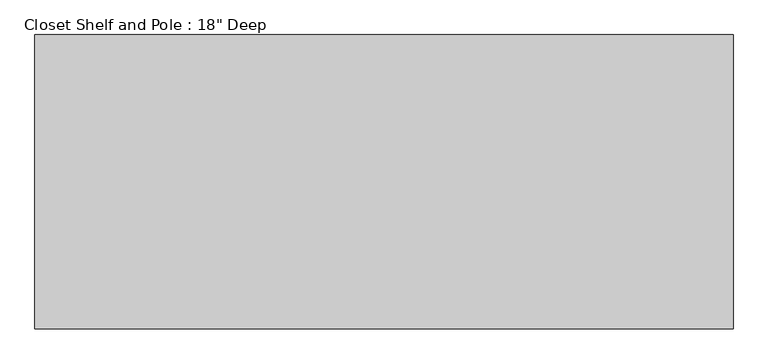
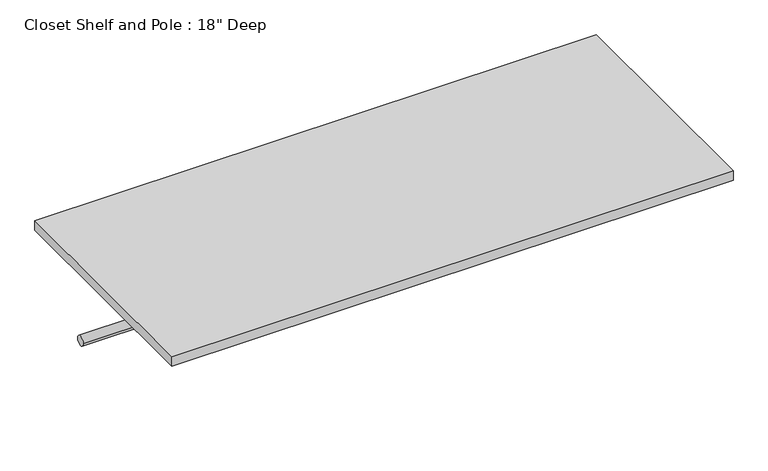
"""IFC4 building model written with IfcOpenShell, lengths in millimetres: proxy geometry."""

from ifc_helpers import new_model, si_unit, point, frame, frame_2d, origin, place, context, project, spatial, polyline, circle_curve, trimmed, segment, composite_curve, outline, extrude, source, transform, mapped, element, save


def proxy_f339d076(model_context):
    return source(origin(), model_context, "Body", "SweptSolid", [
        extrude(outline(composite_curve([segment(trimmed(circle_curve(frame_2d((304.8, 1676.4)), 9.525), [point((314.325, 1676.4))], [point((295.275, 1676.4))], False, "CARTESIAN"), True, "CONTINUOUS"), segment(trimmed(circle_curve(frame_2d((304.8, 1676.4)), 9.525), [point((295.275, 1676.4))], [point((314.325, 1676.4))], False, "CARTESIAN"), True, "CONTINUOUS")], self_intersect=False)), frame((0.0, 0.0, 0.0), z_axis=(1.0, 0.0, 0.0), x_axis=(0.0, 1.0, 0.0)), (0.0, 0.0, 1.0), 1083.7465485),
        extrude(outline(polyline([(1083.7465485, 0.0), (0.0, 0.0), (0.0, 457.2), (1083.7465485, 457.2), (1083.7465485, 0.0)])), frame((0.0, 0.0, 1809.75), z_axis=(0.0, 0.0, 1.0), x_axis=(1.0, 0.0, 0.0)), (0.0, 0.0, 1.0), 19.05),
    ])


if __name__ == "__main__":
    model = new_model("IFC4")
    model_context = context("Model", 3, world=origin())
    ifc_project = project(units=[si_unit("LENGTHUNIT", "METRE", prefix="MILLI")], contexts=[model_context])
    site = spatial("IfcSite", under=ifc_project)
    building = spatial("IfcBuilding", under=site)
    placement = place(None, origin())
    proxy_shape = proxy_f339d076(model_context)
    element("IfcBuildingElementProxy", 1, Name="Closet Shelf and Pole : 18\" Deep", ObjectType="Closet Shelf and Pole : 18\" Deep", at=placement, inside=building, context=model_context, shape_type="MappedRepresentation", body=[
        mapped(proxy_shape, transform((0.0, 0.0, 0.0), x_axis=(1.0, 0.0, 0.0), y_axis=(0.0, 1.0, 0.0), z_axis=(0.0, 0.0, 1.0))),
    ])
    save(model, "model.ifc")
